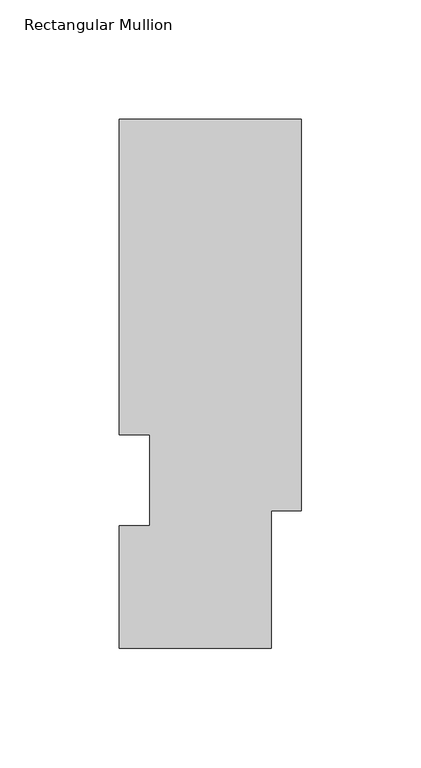
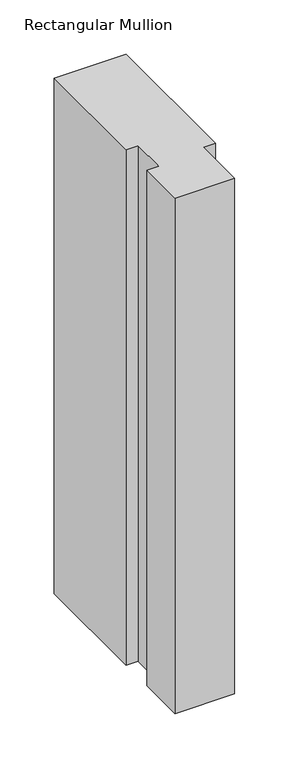
"""IFC4 building model written with IfcOpenShell, lengths in millimetres: member geometry, Rectangular Mullion."""

from ifc_helpers import new_model, si_unit, frame, origin, place, context, project, spatial, polyline, outline, extrude, source, transform, mapped, element, save


def rectangular_mullion_d06377c4(model_context):
    return source(origin(), model_context, "Body", "SweptSolid", [
        extrude(outline(polyline([(-76.2, 221.7507313), (0.0, 221.7507312), (0.0, 57.8445313), (-12.6999999, 57.8445313), (-12.6999999, 0.2119313), (-76.1999999, 0.2119313), (-76.1999999, 51.4945313), (-63.5, 51.4945313), (-63.5, 89.5945313), (-76.2, 89.5945313), (-76.2, 221.7507313)])), frame((0.0, 0.0, -577.8404902), z_axis=(0.0, 0.0, 1.0), x_axis=(1.0, 0.0, 0.0)), (0.0, 0.0, 1.0), 577.8404902),
    ])


if __name__ == "__main__":
    model = new_model("IFC4")
    model_context = context("Model", 3, world=origin())
    ifc_project = project(units=[si_unit("LENGTHUNIT", "METRE", prefix="MILLI")], contexts=[model_context])
    site = spatial("IfcSite", under=ifc_project)
    building = spatial("IfcBuilding", under=site)
    placement = place(None, origin())
    rectangular_mullion_shape = rectangular_mullion_d06377c4(model_context)
    element("IfcMember", 1, ObjectType="Rectangular Mullion", at=placement, inside=building, context=model_context, shape_type="MappedRepresentation", body=[
        mapped(rectangular_mullion_shape, transform((0.0, 0.0, 0.0), x_axis=(1.0, 0.0, 0.0), y_axis=(0.0, 1.0, 0.0), z_axis=(0.0, 0.0, 1.0))),
    ])
    save(model, "model.ifc")
